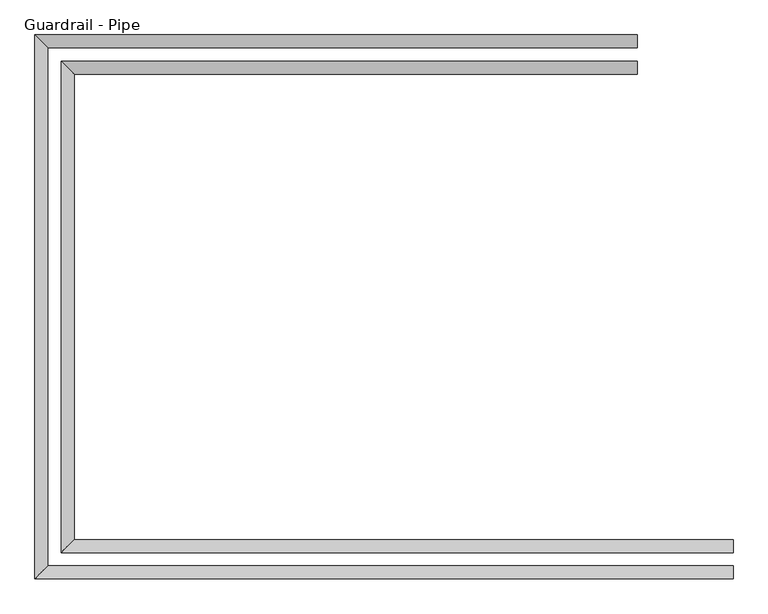
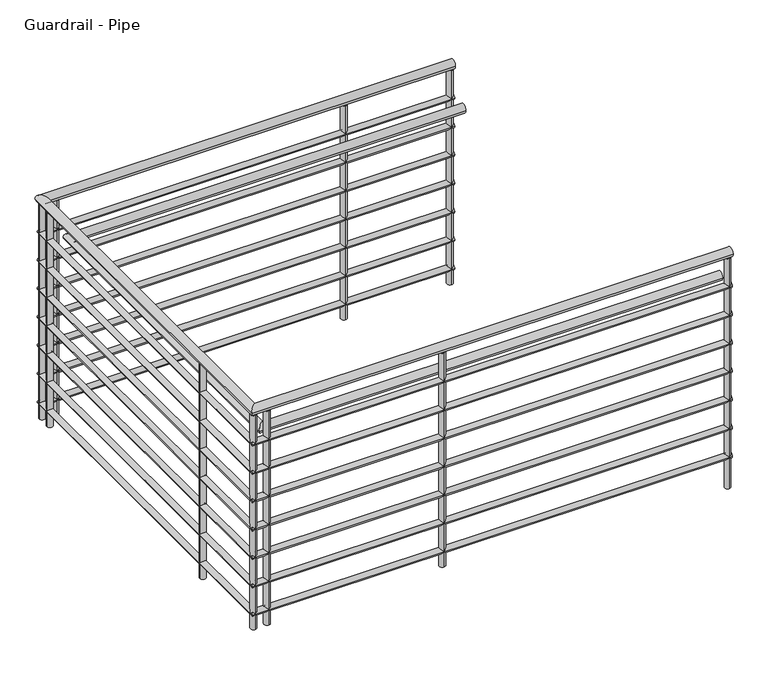
"""IFC4 building model written with IfcOpenShell, lengths in millimetres: railing geometry, Guardrail - Pipe."""

from ifc_helpers import new_model, si_unit, point, frame, frame_2d, origin, place, context, project, spatial, circle_curve, ellipse_curve, trimmed, segment, composite_curve, outline, extrude, source, transform, mapped, element, save
from ifc_brep_helpers import plane_surface, cylinder_surface, advanced_brep


def guardrail_pipe_5df687c5(model_context):
    return source(origin(), model_context, "Body", "SolidModel", [
        advanced_brep(
        [(11940.7119968, -161.0132925, 1517.75), (11940.7119968, -199.1132925, 1517.75), (9942.6119968, -161.0132925, 1517.75), (9904.5119968, -199.1132925, 1517.75), (9942.6119968, 1349.4048375, 1517.75), (9904.5119968, 1387.5048375, 1517.75), (11660.7119968, 1349.4048375, 1517.75), (11660.7119968, 1387.5048375, 1517.75)],
        [
            (0, 1, circle_curve(frame((11940.7119968, -180.0632925, 1517.75), z_axis=(1.0, 0.0, 0.0), x_axis=(0.0, -1.0, 0.0)), 19.05)),
            (1, 0, circle_curve(frame((11940.7119968, -180.0632925, 1517.75), z_axis=(1.0, 0.0, 0.0), x_axis=(0.0, -1.0, 0.0)), 19.05)),
            (0, 2),
            (2, 3, ellipse_curve(frame((9923.5619968, -180.0632925, 1517.75), z_axis=(0.7071067811865454, -0.7071067811865496, 0.0), x_axis=(0.7071067811865498, 0.7071067811865452, 0.0)), 26.9407684, 19.05)),
            (3, 1),
            (3, 2, ellipse_curve(frame((9923.5619968, -180.0632925, 1517.75), z_axis=(0.7071067811865454, -0.7071067811865496, 0.0), x_axis=(0.7071067811865498, 0.7071067811865452, 0.0)), 26.9407684, 19.05)),
            (2, 4),
            (4, 5, ellipse_curve(frame((9923.5619968, 1368.4548375, 1517.75), z_axis=(-0.707106781186548, -0.7071067811865469, 0.0), x_axis=(0.7071067811865469, -0.7071067811865481, 0.0)), 26.9407684, 19.05)),
            (5, 3),
            (5, 4, ellipse_curve(frame((9923.5619968, 1368.4548375, 1517.75), z_axis=(-0.707106781186548, -0.7071067811865469, 0.0), x_axis=(0.7071067811865469, -0.7071067811865481, 0.0)), 26.9407684, 19.05)),
            (6, 7, circle_curve(frame((11660.7119968, 1368.4548375, 1517.75), z_axis=(1.0, 0.0, 0.0), x_axis=(0.0, 1.0, 0.0)), 19.05)),
            (7, 6, circle_curve(frame((11660.7119968, 1368.4548375, 1517.75), z_axis=(1.0, 0.0, 0.0), x_axis=(0.0, 1.0, 0.0)), 19.05)),
            (4, 6),
            (7, 5),
        ],
        [
            plane_surface(frame((11940.7119968, -180.0632925, 1536.8), z_axis=(1.0, 0.0, 0.0), x_axis=(0.0, -1.0, 0.0))),
            cylinder_surface(frame((11940.7119968, -180.0632925, 1517.75), z_axis=(1.0, 0.0, 0.0), x_axis=(0.0, -1.0, 0.0)), 19.05),
            cylinder_surface(frame((9923.5619968, -180.0632925, 1517.75), z_axis=(0.0, -1.0, 0.0), x_axis=(-1.0, 0.0, 0.0)), 19.05),
            plane_surface(frame((11660.7119968, 1368.4548375, 1536.8), z_axis=(1.0, 0.0, 0.0), x_axis=(0.0, 1.0, 0.0))),
            cylinder_surface(frame((9923.5619968, 1368.4548375, 1517.75), z_axis=(-1.0, 0.0, 0.0), x_axis=(0.0, 1.0, 0.0)), 19.05),
        ],
        [
            (0, [[1, 2]]),
            (1, [[-1, 3, 4, 5]]),
            (1, [[-2, -5, 6, -3]]),
            (2, [[-4, 7, 8, 9]]),
            (2, [[-6, -9, 10, -7]]),
            (3, [[11, 12]]),
            (4, [[-8, 13, -12, 14]]),
            (4, [[-10, -14, -11, -13]]),
        ],
    ),
        advanced_brep(
        [(11940.7119968, -167.3632925, 1371.7), (11940.7119968, -192.7632925, 1371.7), (9936.2619968, -167.3632925, 1371.7), (9910.8619968, -192.7632925, 1371.7), (9936.2619968, 1355.7548375, 1371.7), (9910.8619968, 1381.1548375, 1371.7), (11660.7119968, 1355.7548375, 1371.7), (11660.7119968, 1381.1548375, 1371.7)],
        [
            (0, 1, circle_curve(frame((11940.7119968, -180.0632925, 1371.7), z_axis=(1.0, 0.0, 0.0), x_axis=(0.0, -1.0, 0.0)), 12.7)),
            (1, 0, circle_curve(frame((11940.7119968, -180.0632925, 1371.7), z_axis=(1.0, 0.0, 0.0), x_axis=(0.0, -1.0, 0.0)), 12.7)),
            (0, 2),
            (2, 3, ellipse_curve(frame((9923.5619968, -180.0632925, 1371.7), z_axis=(0.7071067811865454, -0.7071067811865496, 0.0), x_axis=(0.7071067811865498, 0.7071067811865452, 0.0)), 17.9605122, 12.7)),
            (3, 1),
            (3, 2, ellipse_curve(frame((9923.5619968, -180.0632925, 1371.7), z_axis=(0.7071067811865454, -0.7071067811865496, 0.0), x_axis=(0.7071067811865498, 0.7071067811865452, 0.0)), 17.9605122, 12.7)),
            (2, 4),
            (4, 5, ellipse_curve(frame((9923.5619968, 1368.4548375, 1371.7), z_axis=(-0.707106781186548, -0.7071067811865469, 0.0), x_axis=(0.7071067811865469, -0.7071067811865481, 0.0)), 17.9605122, 12.7)),
            (5, 3),
            (5, 4, ellipse_curve(frame((9923.5619968, 1368.4548375, 1371.7), z_axis=(-0.707106781186548, -0.7071067811865469, 0.0), x_axis=(0.7071067811865469, -0.7071067811865481, 0.0)), 17.9605122, 12.7)),
            (6, 7, circle_curve(frame((11660.7119968, 1368.4548375, 1371.7), z_axis=(1.0, 0.0, 0.0), x_axis=(0.0, 1.0, 0.0)), 12.7)),
            (7, 6, circle_curve(frame((11660.7119968, 1368.4548375, 1371.7), z_axis=(1.0, 0.0, 0.0), x_axis=(0.0, 1.0, 0.0)), 12.7)),
            (4, 6),
            (7, 5),
        ],
        [
            plane_surface(frame((11940.7119968, -180.0632925, 1384.4), z_axis=(1.0, 0.0, 0.0), x_axis=(0.0, -1.0, 0.0))),
            cylinder_surface(frame((11940.7119968, -180.0632925, 1371.7), z_axis=(1.0, 0.0, 0.0), x_axis=(0.0, -1.0, 0.0)), 12.7),
            cylinder_surface(frame((9923.5619968, -180.0632925, 1371.7), z_axis=(0.0, -1.0, 0.0), x_axis=(-1.0, 0.0, 0.0)), 12.7),
            plane_surface(frame((11660.7119968, 1368.4548375, 1384.4), z_axis=(1.0, 0.0, 0.0), x_axis=(0.0, 1.0, 0.0))),
            cylinder_surface(frame((9923.5619968, 1368.4548375, 1371.7), z_axis=(-1.0, 0.0, 0.0), x_axis=(0.0, 1.0, 0.0)), 12.7),
        ],
        [
            (0, [[1, 2]]),
            (1, [[-1, 3, 4, 5]]),
            (1, [[-2, -5, 6, -3]]),
            (2, [[-4, 7, 8, 9]]),
            (2, [[-6, -9, 10, -7]]),
            (3, [[11, 12]]),
            (4, [[-8, 13, -12, 14]]),
            (4, [[-10, -14, -11, -13]]),
        ],
    ),
        advanced_brep(
        [(11940.7119968, -84.8132925, 1365.35), (11940.7119968, -122.9132925, 1365.35), (10018.8119968, -84.8132925, 1365.35), (9980.7119968, -122.9132925, 1365.35), (10018.8119968, 1273.2048375, 1365.35), (9980.7119968, 1311.3048375, 1365.35), (11660.7119968, 1273.2048375, 1365.35), (11660.7119968, 1311.3048375, 1365.35)],
        [
            (0, 1, circle_curve(frame((11940.7119968, -103.8632925, 1365.35), z_axis=(1.0, 0.0, 0.0), x_axis=(0.0, -1.0, 0.0)), 19.05)),
            (1, 0, circle_curve(frame((11940.7119968, -103.8632925, 1365.35), z_axis=(1.0, 0.0, 0.0), x_axis=(0.0, -1.0, 0.0)), 19.05)),
            (0, 2),
            (2, 3, ellipse_curve(frame((9999.7619968, -103.8632925, 1365.35), z_axis=(0.7071067811865454, -0.7071067811865496, 0.0), x_axis=(0.7071067811865498, 0.7071067811865452, 0.0)), 26.9407684, 19.05)),
            (3, 1),
            (3, 2, ellipse_curve(frame((9999.7619968, -103.8632925, 1365.35), z_axis=(0.7071067811865454, -0.7071067811865496, 0.0), x_axis=(0.7071067811865498, 0.7071067811865452, 0.0)), 26.9407684, 19.05)),
            (2, 4),
            (4, 5, ellipse_curve(frame((9999.7619968, 1292.2548375, 1365.35), z_axis=(-0.707106781186548, -0.7071067811865469, 0.0), x_axis=(0.7071067811865469, -0.7071067811865481, 0.0)), 26.9407684, 19.05)),
            (5, 3),
            (5, 4, ellipse_curve(frame((9999.7619968, 1292.2548375, 1365.35), z_axis=(-0.707106781186548, -0.7071067811865469, 0.0), x_axis=(0.7071067811865469, -0.7071067811865481, 0.0)), 26.9407684, 19.05)),
            (6, 7, circle_curve(frame((11660.7119968, 1292.2548375, 1365.35), z_axis=(1.0, 0.0, 0.0), x_axis=(0.0, 1.0, 0.0)), 19.05)),
            (7, 6, circle_curve(frame((11660.7119968, 1292.2548375, 1365.35), z_axis=(1.0, 0.0, 0.0), x_axis=(0.0, 1.0, 0.0)), 19.05)),
            (4, 6),
            (7, 5),
        ],
        [
            plane_surface(frame((11940.7119968, -103.8632925, 1384.4), z_axis=(1.0, 0.0, 0.0), x_axis=(0.0, -1.0, 0.0))),
            cylinder_surface(frame((11940.7119968, -103.8632925, 1365.35), z_axis=(1.0, 0.0, 0.0), x_axis=(0.0, -1.0, 0.0)), 19.05),
            cylinder_surface(frame((9999.7619968, -103.8632925, 1365.35), z_axis=(0.0, -1.0, 0.0), x_axis=(-1.0, 0.0, 0.0)), 19.05),
            plane_surface(frame((11660.7119968, 1292.2548375, 1384.4), z_axis=(1.0, 0.0, 0.0), x_axis=(0.0, 1.0, 0.0))),
            cylinder_surface(frame((9999.7619968, 1292.2548375, 1365.35), z_axis=(-1.0, 0.0, 0.0), x_axis=(0.0, 1.0, 0.0)), 19.05),
        ],
        [
            (0, [[1, 2]]),
            (1, [[-1, 3, 4, 5]]),
            (1, [[-2, -5, 6, -3]]),
            (2, [[-4, 7, 8, 9]]),
            (2, [[-6, -9, 10, -7]]),
            (3, [[11, 12]]),
            (4, [[-8, 13, -12, 14]]),
            (4, [[-10, -14, -11, -13]]),
        ],
    ),
        advanced_brep(
        [(11940.7119968, -167.3632925, 1244.7), (11940.7119968, -192.7632925, 1244.7), (9936.2619968, -167.3632925, 1244.7), (9910.8619968, -192.7632925, 1244.7), (9936.2619968, 1355.7548375, 1244.7), (9910.8619968, 1381.1548375, 1244.7), (11660.7119968, 1355.7548375, 1244.7), (11660.7119968, 1381.1548375, 1244.7)],
        [
            (0, 1, circle_curve(frame((11940.7119968, -180.0632925, 1244.7), z_axis=(1.0, 0.0, 0.0), x_axis=(0.0, -1.0, 0.0)), 12.7)),
            (1, 0, circle_curve(frame((11940.7119968, -180.0632925, 1244.7), z_axis=(1.0, 0.0, 0.0), x_axis=(0.0, -1.0, 0.0)), 12.7)),
            (0, 2),
            (2, 3, ellipse_curve(frame((9923.5619968, -180.0632925, 1244.7), z_axis=(0.7071067811865454, -0.7071067811865496, 0.0), x_axis=(0.7071067811865498, 0.7071067811865452, 0.0)), 17.9605122, 12.7)),
            (3, 1),
            (3, 2, ellipse_curve(frame((9923.5619968, -180.0632925, 1244.7), z_axis=(0.7071067811865454, -0.7071067811865496, 0.0), x_axis=(0.7071067811865498, 0.7071067811865452, 0.0)), 17.9605122, 12.7)),
            (2, 4),
            (4, 5, ellipse_curve(frame((9923.5619968, 1368.4548375, 1244.7), z_axis=(-0.707106781186548, -0.7071067811865469, 0.0), x_axis=(0.7071067811865469, -0.7071067811865481, 0.0)), 17.9605122, 12.7)),
            (5, 3),
            (5, 4, ellipse_curve(frame((9923.5619968, 1368.4548375, 1244.7), z_axis=(-0.707106781186548, -0.7071067811865469, 0.0), x_axis=(0.7071067811865469, -0.7071067811865481, 0.0)), 17.9605122, 12.7)),
            (6, 7, circle_curve(frame((11660.7119968, 1368.4548375, 1244.7), z_axis=(1.0, 0.0, 0.0), x_axis=(0.0, 1.0, 0.0)), 12.7)),
            (7, 6, circle_curve(frame((11660.7119968, 1368.4548375, 1244.7), z_axis=(1.0, 0.0, 0.0), x_axis=(0.0, 1.0, 0.0)), 12.7)),
            (4, 6),
            (7, 5),
        ],
        [
            plane_surface(frame((11940.7119968, -180.0632925, 1257.4), z_axis=(1.0, 0.0, 0.0), x_axis=(0.0, -1.0, 0.0))),
            cylinder_surface(frame((11940.7119968, -180.0632925, 1244.7), z_axis=(1.0, 0.0, 0.0), x_axis=(0.0, -1.0, 0.0)), 12.7),
            cylinder_surface(frame((9923.5619968, -180.0632925, 1244.7), z_axis=(0.0, -1.0, 0.0), x_axis=(-1.0, 0.0, 0.0)), 12.7),
            plane_surface(frame((11660.7119968, 1368.4548375, 1257.4), z_axis=(1.0, 0.0, 0.0), x_axis=(0.0, 1.0, 0.0))),
            cylinder_surface(frame((9923.5619968, 1368.4548375, 1244.7), z_axis=(-1.0, 0.0, 0.0), x_axis=(0.0, 1.0, 0.0)), 12.7),
        ],
        [
            (0, [[1, 2]]),
            (1, [[-1, 3, 4, 5]]),
            (1, [[-2, -5, 6, -3]]),
            (2, [[-4, 7, 8, 9]]),
            (2, [[-6, -9, 10, -7]]),
            (3, [[11, 12]]),
            (4, [[-8, 13, -12, 14]]),
            (4, [[-10, -14, -11, -13]]),
        ],
    ),
        advanced_brep(
        [(11940.7119968, -167.3632925, 1117.7), (11940.7119968, -192.7632925, 1117.7), (9936.2619968, -167.3632925, 1117.7), (9910.8619968, -192.7632925, 1117.7), (9936.2619968, 1355.7548375, 1117.7), (9910.8619968, 1381.1548375, 1117.7), (11660.7119968, 1355.7548375, 1117.7), (11660.7119968, 1381.1548375, 1117.7)],
        [
            (0, 1, circle_curve(frame((11940.7119968, -180.0632925, 1117.7), z_axis=(1.0, 0.0, 0.0), x_axis=(0.0, -1.0, 0.0)), 12.7)),
            (1, 0, circle_curve(frame((11940.7119968, -180.0632925, 1117.7), z_axis=(1.0, 0.0, 0.0), x_axis=(0.0, -1.0, 0.0)), 12.7)),
            (0, 2),
            (2, 3, ellipse_curve(frame((9923.5619968, -180.0632925, 1117.7), z_axis=(0.7071067811865454, -0.7071067811865496, 0.0), x_axis=(0.7071067811865498, 0.7071067811865452, 0.0)), 17.9605122, 12.7)),
            (3, 1),
            (3, 2, ellipse_curve(frame((9923.5619968, -180.0632925, 1117.7), z_axis=(0.7071067811865454, -0.7071067811865496, 0.0), x_axis=(0.7071067811865498, 0.7071067811865452, 0.0)), 17.9605122, 12.7)),
            (2, 4),
            (4, 5, ellipse_curve(frame((9923.5619968, 1368.4548375, 1117.7), z_axis=(-0.707106781186548, -0.7071067811865469, 0.0), x_axis=(0.7071067811865469, -0.7071067811865481, 0.0)), 17.9605122, 12.7)),
            (5, 3),
            (5, 4, ellipse_curve(frame((9923.5619968, 1368.4548375, 1117.7), z_axis=(-0.707106781186548, -0.7071067811865469, 0.0), x_axis=(0.7071067811865469, -0.7071067811865481, 0.0)), 17.9605122, 12.7)),
            (6, 7, circle_curve(frame((11660.7119968, 1368.4548375, 1117.7), z_axis=(1.0, 0.0, 0.0), x_axis=(0.0, 1.0, 0.0)), 12.7)),
            (7, 6, circle_curve(frame((11660.7119968, 1368.4548375, 1117.7), z_axis=(1.0, 0.0, 0.0), x_axis=(0.0, 1.0, 0.0)), 12.7)),
            (4, 6),
            (7, 5),
        ],
        [
            plane_surface(frame((11940.7119968, -180.0632925, 1130.4), z_axis=(1.0, 0.0, 0.0), x_axis=(0.0, -1.0, 0.0))),
            cylinder_surface(frame((11940.7119968, -180.0632925, 1117.7), z_axis=(1.0, 0.0, 0.0), x_axis=(0.0, -1.0, 0.0)), 12.7),
            cylinder_surface(frame((9923.5619968, -180.0632925, 1117.7), z_axis=(0.0, -1.0, 0.0), x_axis=(-1.0, 0.0, 0.0)), 12.7),
            plane_surface(frame((11660.7119968, 1368.4548375, 1130.4), z_axis=(1.0, 0.0, 0.0), x_axis=(0.0, 1.0, 0.0))),
            cylinder_surface(frame((9923.5619968, 1368.4548375, 1117.7), z_axis=(-1.0, 0.0, 0.0), x_axis=(0.0, 1.0, 0.0)), 12.7),
        ],
        [
            (0, [[1, 2]]),
            (1, [[-1, 3, 4, 5]]),
            (1, [[-2, -5, 6, -3]]),
            (2, [[-4, 7, 8, 9]]),
            (2, [[-6, -9, 10, -7]]),
            (3, [[11, 12]]),
            (4, [[-8, 13, -12, 14]]),
            (4, [[-10, -14, -11, -13]]),
        ],
    ),
        advanced_brep(
        [(11940.7119968, -167.3632925, 990.7), (11940.7119968, -192.7632925, 990.7), (9936.2619968, -167.3632925, 990.7), (9910.8619968, -192.7632925, 990.7), (9936.2619968, 1355.7548375, 990.7), (9910.8619968, 1381.1548375, 990.7), (11660.7119968, 1355.7548375, 990.7), (11660.7119968, 1381.1548375, 990.7)],
        [
            (0, 1, circle_curve(frame((11940.7119968, -180.0632925, 990.7), z_axis=(1.0, 0.0, 0.0), x_axis=(0.0, -1.0, 0.0)), 12.7)),
            (1, 0, circle_curve(frame((11940.7119968, -180.0632925, 990.7), z_axis=(1.0, 0.0, 0.0), x_axis=(0.0, -1.0, 0.0)), 12.7)),
            (0, 2),
            (2, 3, ellipse_curve(frame((9923.5619968, -180.0632925, 990.7), z_axis=(0.7071067811865454, -0.7071067811865496, 0.0), x_axis=(0.7071067811865498, 0.7071067811865452, 0.0)), 17.9605122, 12.7)),
            (3, 1),
            (3, 2, ellipse_curve(frame((9923.5619968, -180.0632925, 990.7), z_axis=(0.7071067811865454, -0.7071067811865496, 0.0), x_axis=(0.7071067811865498, 0.7071067811865452, 0.0)), 17.9605122, 12.7)),
            (2, 4),
            (4, 5, ellipse_curve(frame((9923.5619968, 1368.4548375, 990.7), z_axis=(-0.707106781186548, -0.7071067811865469, 0.0), x_axis=(0.7071067811865469, -0.7071067811865481, 0.0)), 17.9605122, 12.7)),
            (5, 3),
            (5, 4, ellipse_curve(frame((9923.5619968, 1368.4548375, 990.7), z_axis=(-0.707106781186548, -0.7071067811865469, 0.0), x_axis=(0.7071067811865469, -0.7071067811865481, 0.0)), 17.9605122, 12.7)),
            (6, 7, circle_curve(frame((11660.7119968, 1368.4548375, 990.7), z_axis=(1.0, 0.0, 0.0), x_axis=(0.0, 1.0, 0.0)), 12.7)),
            (7, 6, circle_curve(frame((11660.7119968, 1368.4548375, 990.7), z_axis=(1.0, 0.0, 0.0), x_axis=(0.0, 1.0, 0.0)), 12.7)),
            (4, 6),
            (7, 5),
        ],
        [
            plane_surface(frame((11940.7119968, -180.0632925, 1003.4), z_axis=(1.0, 0.0, 0.0), x_axis=(0.0, -1.0, 0.0))),
            cylinder_surface(frame((11940.7119968, -180.0632925, 990.7), z_axis=(1.0, 0.0, 0.0), x_axis=(0.0, -1.0, 0.0)), 12.7),
            cylinder_surface(frame((9923.5619968, -180.0632925, 990.7), z_axis=(0.0, -1.0, 0.0), x_axis=(-1.0, 0.0, 0.0)), 12.7),
            plane_surface(frame((11660.7119968, 1368.4548375, 1003.4), z_axis=(1.0, 0.0, 0.0), x_axis=(0.0, 1.0, 0.0))),
            cylinder_surface(frame((9923.5619968, 1368.4548375, 990.7), z_axis=(-1.0, 0.0, 0.0), x_axis=(0.0, 1.0, 0.0)), 12.7),
        ],
        [
            (0, [[1, 2]]),
            (1, [[-1, 3, 4, 5]]),
            (1, [[-2, -5, 6, -3]]),
            (2, [[-4, 7, 8, 9]]),
            (2, [[-6, -9, 10, -7]]),
            (3, [[11, 12]]),
            (4, [[-8, 13, -12, 14]]),
            (4, [[-10, -14, -11, -13]]),
        ],
    ),
        advanced_brep(
        [(11940.7119968, -167.3632925, 863.7), (11940.7119968, -192.7632925, 863.7), (9936.2619968, -167.3632925, 863.7), (9910.8619968, -192.7632925, 863.7), (9936.2619968, 1355.7548375, 863.7), (9910.8619968, 1381.1548375, 863.7), (11660.7119968, 1355.7548375, 863.7), (11660.7119968, 1381.1548375, 863.7)],
        [
            (0, 1, circle_curve(frame((11940.7119968, -180.0632925, 863.7), z_axis=(1.0, 0.0, 0.0), x_axis=(0.0, -1.0, 0.0)), 12.7)),
            (1, 0, circle_curve(frame((11940.7119968, -180.0632925, 863.7), z_axis=(1.0, 0.0, 0.0), x_axis=(0.0, -1.0, 0.0)), 12.7)),
            (0, 2),
            (2, 3, ellipse_curve(frame((9923.5619968, -180.0632925, 863.7), z_axis=(0.7071067811865454, -0.7071067811865496, 0.0), x_axis=(0.7071067811865498, 0.7071067811865452, 0.0)), 17.9605122, 12.7)),
            (3, 1),
            (3, 2, ellipse_curve(frame((9923.5619968, -180.0632925, 863.7), z_axis=(0.7071067811865454, -0.7071067811865496, 0.0), x_axis=(0.7071067811865498, 0.7071067811865452, 0.0)), 17.9605122, 12.7)),
            (2, 4),
            (4, 5, ellipse_curve(frame((9923.5619968, 1368.4548375, 863.7), z_axis=(-0.707106781186548, -0.7071067811865469, 0.0), x_axis=(0.7071067811865469, -0.7071067811865481, 0.0)), 17.9605122, 12.7)),
            (5, 3),
            (5, 4, ellipse_curve(frame((9923.5619968, 1368.4548375, 863.7), z_axis=(-0.707106781186548, -0.7071067811865469, 0.0), x_axis=(0.7071067811865469, -0.7071067811865481, 0.0)), 17.9605122, 12.7)),
            (6, 7, circle_curve(frame((11660.7119968, 1368.4548375, 863.7), z_axis=(1.0, 0.0, 0.0), x_axis=(0.0, 1.0, 0.0)), 12.7)),
            (7, 6, circle_curve(frame((11660.7119968, 1368.4548375, 863.7), z_axis=(1.0, 0.0, 0.0), x_axis=(0.0, 1.0, 0.0)), 12.7)),
            (4, 6),
            (7, 5),
        ],
        [
            plane_surface(frame((11940.7119968, -180.0632925, 876.4), z_axis=(1.0, 0.0, 0.0), x_axis=(0.0, -1.0, 0.0))),
            cylinder_surface(frame((11940.7119968, -180.0632925, 863.7), z_axis=(1.0, 0.0, 0.0), x_axis=(0.0, -1.0, 0.0)), 12.7),
            cylinder_surface(frame((9923.5619968, -180.0632925, 863.7), z_axis=(0.0, -1.0, 0.0), x_axis=(-1.0, 0.0, 0.0)), 12.7),
            plane_surface(frame((11660.7119968, 1368.4548375, 876.4), z_axis=(1.0, 0.0, 0.0), x_axis=(0.0, 1.0, 0.0))),
            cylinder_surface(frame((9923.5619968, 1368.4548375, 863.7), z_axis=(-1.0, 0.0, 0.0), x_axis=(0.0, 1.0, 0.0)), 12.7),
        ],
        [
            (0, [[1, 2]]),
            (1, [[-1, 3, 4, 5]]),
            (1, [[-2, -5, 6, -3]]),
            (2, [[-4, 7, 8, 9]]),
            (2, [[-6, -9, 10, -7]]),
            (3, [[11, 12]]),
            (4, [[-8, 13, -12, 14]]),
            (4, [[-10, -14, -11, -13]]),
        ],
    ),
        advanced_brep(
        [(11940.7119968, -167.3632925, 736.7), (11940.7119968, -192.7632925, 736.7), (9936.2619968, -167.3632925, 736.7), (9910.8619968, -192.7632925, 736.7), (9936.2619968, 1355.7548375, 736.7), (9910.8619968, 1381.1548375, 736.7), (11660.7119968, 1355.7548375, 736.7), (11660.7119968, 1381.1548375, 736.7)],
        [
            (0, 1, circle_curve(frame((11940.7119968, -180.0632925, 736.7), z_axis=(1.0, 0.0, 0.0), x_axis=(0.0, -1.0, 0.0)), 12.7)),
            (1, 0, circle_curve(frame((11940.7119968, -180.0632925, 736.7), z_axis=(1.0, 0.0, 0.0), x_axis=(0.0, -1.0, 0.0)), 12.7)),
            (0, 2),
            (2, 3, ellipse_curve(frame((9923.5619968, -180.0632925, 736.7), z_axis=(0.7071067811865454, -0.7071067811865496, 0.0), x_axis=(0.7071067811865498, 0.7071067811865452, 0.0)), 17.9605122, 12.7)),
            (3, 1),
            (3, 2, ellipse_curve(frame((9923.5619968, -180.0632925, 736.7), z_axis=(0.7071067811865454, -0.7071067811865496, 0.0), x_axis=(0.7071067811865498, 0.7071067811865452, 0.0)), 17.9605122, 12.7)),
            (2, 4),
            (4, 5, ellipse_curve(frame((9923.5619968, 1368.4548375, 736.7), z_axis=(-0.707106781186548, -0.7071067811865469, 0.0), x_axis=(0.7071067811865469, -0.7071067811865481, 0.0)), 17.9605122, 12.7)),
            (5, 3),
            (5, 4, ellipse_curve(frame((9923.5619968, 1368.4548375, 736.7), z_axis=(-0.707106781186548, -0.7071067811865469, 0.0), x_axis=(0.7071067811865469, -0.7071067811865481, 0.0)), 17.9605122, 12.7)),
            (6, 7, circle_curve(frame((11660.7119968, 1368.4548375, 736.7), z_axis=(1.0, 0.0, 0.0), x_axis=(0.0, 1.0, 0.0)), 12.7)),
            (7, 6, circle_curve(frame((11660.7119968, 1368.4548375, 736.7), z_axis=(1.0, 0.0, 0.0), x_axis=(0.0, 1.0, 0.0)), 12.7)),
            (4, 6),
            (7, 5),
        ],
        [
            plane_surface(frame((11940.7119968, -180.0632925, 749.4), z_axis=(1.0, 0.0, 0.0), x_axis=(0.0, -1.0, 0.0))),
            cylinder_surface(frame((11940.7119968, -180.0632925, 736.7), z_axis=(1.0, 0.0, 0.0), x_axis=(0.0, -1.0, 0.0)), 12.7),
            cylinder_surface(frame((9923.5619968, -180.0632925, 736.7), z_axis=(0.0, -1.0, 0.0), x_axis=(-1.0, 0.0, 0.0)), 12.7),
            plane_surface(frame((11660.7119968, 1368.4548375, 749.4), z_axis=(1.0, 0.0, 0.0), x_axis=(0.0, 1.0, 0.0))),
            cylinder_surface(frame((9923.5619968, 1368.4548375, 736.7), z_axis=(-1.0, 0.0, 0.0), x_axis=(0.0, 1.0, 0.0)), 12.7),
        ],
        [
            (0, [[1, 2]]),
            (1, [[-1, 3, 4, 5]]),
            (1, [[-2, -5, 6, -3]]),
            (2, [[-4, 7, 8, 9]]),
            (2, [[-6, -9, 10, -7]]),
            (3, [[11, 12]]),
            (4, [[-8, 13, -12, 14]]),
            (4, [[-10, -14, -11, -13]]),
        ],
    ),
        advanced_brep(
        [(11940.7119968, -167.3632925, 609.7), (11940.7119968, -192.7632925, 609.7), (9936.2619968, -167.3632925, 609.7), (9910.8619968, -192.7632925, 609.7), (9936.2619968, 1355.7548375, 609.7), (9910.8619968, 1381.1548375, 609.7), (11660.7119968, 1355.7548375, 609.7), (11660.7119968, 1381.1548375, 609.7)],
        [
            (0, 1, circle_curve(frame((11940.7119968, -180.0632925, 609.7), z_axis=(1.0, 0.0, 0.0), x_axis=(0.0, -1.0, 0.0)), 12.7)),
            (1, 0, circle_curve(frame((11940.7119968, -180.0632925, 609.7), z_axis=(1.0, 0.0, 0.0), x_axis=(0.0, -1.0, 0.0)), 12.7)),
            (0, 2),
            (2, 3, ellipse_curve(frame((9923.5619968, -180.0632925, 609.7), z_axis=(0.7071067811865454, -0.7071067811865496, 0.0), x_axis=(0.7071067811865498, 0.7071067811865452, 0.0)), 17.9605122, 12.7)),
            (3, 1),
            (3, 2, ellipse_curve(frame((9923.5619968, -180.0632925, 609.7), z_axis=(0.7071067811865454, -0.7071067811865496, 0.0), x_axis=(0.7071067811865498, 0.7071067811865452, 0.0)), 17.9605122, 12.7)),
            (2, 4),
            (4, 5, ellipse_curve(frame((9923.5619968, 1368.4548375, 609.7), z_axis=(-0.707106781186548, -0.7071067811865469, 0.0), x_axis=(0.7071067811865469, -0.7071067811865481, 0.0)), 17.9605122, 12.7)),
            (5, 3),
            (5, 4, ellipse_curve(frame((9923.5619968, 1368.4548375, 609.7), z_axis=(-0.707106781186548, -0.7071067811865469, 0.0), x_axis=(0.7071067811865469, -0.7071067811865481, 0.0)), 17.9605122, 12.7)),
            (6, 7, circle_curve(frame((11660.7119968, 1368.4548375, 609.7), z_axis=(1.0, 0.0, 0.0), x_axis=(0.0, 1.0, 0.0)), 12.7)),
            (7, 6, circle_curve(frame((11660.7119968, 1368.4548375, 609.7), z_axis=(1.0, 0.0, 0.0), x_axis=(0.0, 1.0, 0.0)), 12.7)),
            (4, 6),
            (7, 5),
        ],
        [
            plane_surface(frame((11940.7119968, -180.0632925, 622.4), z_axis=(1.0, 0.0, 0.0), x_axis=(0.0, -1.0, 0.0))),
            cylinder_surface(frame((11940.7119968, -180.0632925, 609.7), z_axis=(1.0, 0.0, 0.0), x_axis=(0.0, -1.0, 0.0)), 12.7),
            cylinder_surface(frame((9923.5619968, -180.0632925, 609.7), z_axis=(0.0, -1.0, 0.0), x_axis=(-1.0, 0.0, 0.0)), 12.7),
            plane_surface(frame((11660.7119968, 1368.4548375, 622.4), z_axis=(1.0, 0.0, 0.0), x_axis=(0.0, 1.0, 0.0))),
            cylinder_surface(frame((9923.5619968, 1368.4548375, 609.7), z_axis=(-1.0, 0.0, 0.0), x_axis=(0.0, 1.0, 0.0)), 12.7),
        ],
        [
            (0, [[1, 2]]),
            (1, [[-1, 3, 4, 5]]),
            (1, [[-2, -5, 6, -3]]),
            (2, [[-4, 7, 8, 9]]),
            (2, [[-6, -9, 10, -7]]),
            (3, [[11, 12]]),
            (4, [[-8, 13, -12, 14]]),
            (4, [[-10, -14, -11, -13]]),
        ],
    ),
        extrude(outline(composite_curve([segment(trimmed(circle_curve(frame_2d((11199.9119968, 1368.4548375)), 12.7), [point((11199.9119968, 1355.7548375))], [point((11199.9119968, 1381.1548375))], False, "CARTESIAN"), True, "CONTINUOUS"), segment(trimmed(circle_curve(frame_2d((11199.9119968, 1368.4548375)), 12.7), [point((11199.9119968, 1381.1548375))], [point((11199.9119968, 1355.7548375))], False, "CARTESIAN"), True, "CONTINUOUS")], self_intersect=False)), frame((0.0, 0.0, 541.4), z_axis=(0.0, 0.0, 1.0), x_axis=(1.0, 0.0, 0.0)), (0.0, 0.0, 1.0), 957.3),
        extrude(outline(composite_curve([segment(trimmed(circle_curve(frame_2d((10721.5119968, -180.0632925)), 12.7), [point((10721.5119968, -167.3632925))], [point((10721.5119968, -192.7632925))], False, "CARTESIAN"), True, "CONTINUOUS"), segment(trimmed(circle_curve(frame_2d((10721.5119968, -180.0632925)), 12.7), [point((10721.5119968, -192.7632925))], [point((10721.5119968, -167.3632925))], False, "CARTESIAN"), True, "CONTINUOUS")], self_intersect=False)), frame((0.0, 0.0, 541.4), z_axis=(0.0, 0.0, 1.0), x_axis=(1.0, 0.0, 0.0)), (0.0, 0.0, 1.0), 957.3),
        extrude(outline(composite_curve([segment(trimmed(circle_curve(frame_2d((9980.7119968, 1368.4548375)), 12.7), [point((9980.7119968, 1355.7548375))], [point((9980.7119968, 1381.1548375))], False, "CARTESIAN"), True, "CONTINUOUS"), segment(trimmed(circle_curve(frame_2d((9980.7119968, 1368.4548375)), 12.7), [point((9980.7119968, 1381.1548375))], [point((9980.7119968, 1355.7548375))], False, "CARTESIAN"), True, "CONTINUOUS")], self_intersect=False)), frame((0.0, 0.0, 541.4), z_axis=(0.0, 0.0, 1.0), x_axis=(1.0, 0.0, 0.0)), (0.0, 0.0, 1.0), 957.3),
        extrude(outline(composite_curve([segment(trimmed(circle_curve(frame_2d((9923.5619968, 1368.4548375)), 12.7), [point((9936.2619968, 1368.4548375))], [point((9910.8619968, 1368.4548375))], False, "CARTESIAN"), True, "CONTINUOUS"), segment(trimmed(circle_curve(frame_2d((9923.5619968, 1368.4548375)), 12.7), [point((9910.8619968, 1368.4548375))], [point((9936.2619968, 1368.4548375))], False, "CARTESIAN"), True, "CONTINUOUS")], self_intersect=False)), frame((0.0, 0.0, 541.4), z_axis=(0.0, 0.0, 1.0), x_axis=(1.0, 0.0, 0.0)), (0.0, 0.0, 1.0), 957.3),
        extrude(outline(composite_curve([segment(trimmed(circle_curve(frame_2d((9923.5619968, 1311.3048375)), 12.7), [point((9936.2619968, 1311.3048375))], [point((9910.8619968, 1311.3048375))], False, "CARTESIAN"), True, "CONTINUOUS"), segment(trimmed(circle_curve(frame_2d((9923.5619968, 1311.3048375)), 12.7), [point((9910.8619968, 1311.3048375))], [point((9936.2619968, 1311.3048375))], False, "CARTESIAN"), True, "CONTINUOUS")], self_intersect=False)), frame((0.0, 0.0, 541.4), z_axis=(0.0, 0.0, 1.0), x_axis=(1.0, 0.0, 0.0)), (0.0, 0.0, 1.0), 957.3),
        extrude(outline(composite_curve([segment(trimmed(circle_curve(frame_2d((9923.5619968, 191.3048375)), 12.7), [point((9936.2619968, 191.3048375))], [point((9910.8619968, 191.3048375))], False, "CARTESIAN"), True, "CONTINUOUS"), segment(trimmed(circle_curve(frame_2d((9923.5619968, 191.3048375)), 12.7), [point((9910.8619968, 191.3048375))], [point((9936.2619968, 191.3048375))], False, "CARTESIAN"), True, "CONTINUOUS")], self_intersect=False)), frame((0.0, 0.0, 541.4), z_axis=(0.0, 0.0, 1.0), x_axis=(1.0, 0.0, 0.0)), (0.0, 0.0, 1.0), 957.3),
        extrude(outline(composite_curve([segment(trimmed(circle_curve(frame_2d((9923.5619968, -180.0632925)), 12.7), [point((9923.5619968, -167.3632925))], [point((9923.5619968, -192.7632925))], False, "CARTESIAN"), True, "CONTINUOUS"), segment(trimmed(circle_curve(frame_2d((9923.5619968, -180.0632925)), 12.7), [point((9923.5619968, -192.7632925))], [point((9923.5619968, -167.3632925))], False, "CARTESIAN"), True, "CONTINUOUS")], self_intersect=False)), frame((0.0, 0.0, 541.4), z_axis=(0.0, 0.0, 1.0), x_axis=(1.0, 0.0, 0.0)), (0.0, 0.0, 1.0), 957.3),
        extrude(outline(composite_curve([segment(trimmed(circle_curve(frame_2d((9980.7119968, -180.0632925)), 12.7), [point((9980.7119968, -167.3632925))], [point((9980.7119968, -192.7632925))], False, "CARTESIAN"), True, "CONTINUOUS"), segment(trimmed(circle_curve(frame_2d((9980.7119968, -180.0632925)), 12.7), [point((9980.7119968, -192.7632925))], [point((9980.7119968, -167.3632925))], False, "CARTESIAN"), True, "CONTINUOUS")], self_intersect=False)), frame((0.0, 0.0, 541.4), z_axis=(0.0, 0.0, 1.0), x_axis=(1.0, 0.0, 0.0)), (0.0, 0.0, 1.0), 957.3),
        extrude(outline(composite_curve([segment(trimmed(circle_curve(frame_2d((11648.0119968, 1368.4548375)), 12.7), [point((11648.0119968, 1355.7548375))], [point((11648.0119968, 1381.1548375))], False, "CARTESIAN"), True, "CONTINUOUS"), segment(trimmed(circle_curve(frame_2d((11648.0119968, 1368.4548375)), 12.7), [point((11648.0119968, 1381.1548375))], [point((11648.0119968, 1355.7548375))], False, "CARTESIAN"), True, "CONTINUOUS")], self_intersect=False)), frame((0.0, 0.0, 541.4), z_axis=(0.0, 0.0, 1.0), x_axis=(1.0, 0.0, 0.0)), (0.0, 0.0, 1.0), 957.3),
        extrude(outline(composite_curve([segment(trimmed(circle_curve(frame_2d((11928.0119968, -180.0632925)), 12.7), [point((11928.0119968, -167.3632925))], [point((11928.0119968, -192.7632925))], False, "CARTESIAN"), True, "CONTINUOUS"), segment(trimmed(circle_curve(frame_2d((11928.0119968, -180.0632925)), 12.7), [point((11928.0119968, -192.7632925))], [point((11928.0119968, -167.3632925))], False, "CARTESIAN"), True, "CONTINUOUS")], self_intersect=False)), frame((0.0, 0.0, 470.0), z_axis=(0.0, 0.0, 1.0), x_axis=(1.0, 0.0, 0.0)), (0.0, 0.0, 1.0), 1028.7),
    ])


if __name__ == "__main__":
    model = new_model("IFC4")
    model_context = context("Model", 3, world=origin())
    ifc_project = project(units=[si_unit("LENGTHUNIT", "METRE", prefix="MILLI")], contexts=[model_context])
    site = spatial("IfcSite", under=ifc_project)
    building = spatial("IfcBuilding", under=site)
    placement = place(None, origin())
    guardrail_pipe_shape = guardrail_pipe_5df687c5(model_context)
    element("IfcRailing", 1, ObjectType="Guardrail - Pipe", at=placement, inside=building, context=model_context, shape_type="MappedRepresentation", body=[
        mapped(guardrail_pipe_shape, transform((0.0, 0.0, 0.0), x_axis=(1.0, 0.0, 0.0), y_axis=(0.0, 1.0, 0.0), z_axis=(0.0, 0.0, 1.0))),
    ])
    save(model, "model.ifc")
